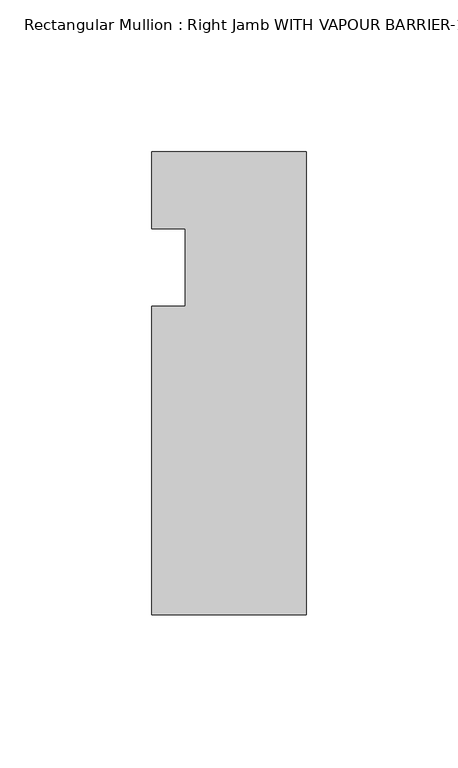
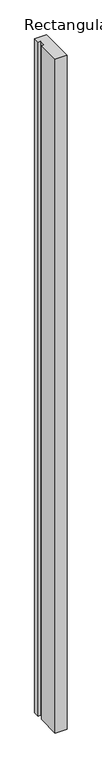
"""IFC4 building model written with IfcOpenShell, lengths in millimetres: member geometry."""

from ifc_helpers import new_model, si_unit, frame, origin, place, context, project, spatial, polyline, outline, extrude, source, transform, mapped, element, save


def member_d97a677a(model_context):
    return source(origin(), model_context, "Body", "SweptSolid", [
        extrude(outline(polyline([(-50.8, -120.65), (-50.8, -19.05), (-39.8272, -19.05), (-39.8272, 6.35), (-50.8, 6.35), (-50.8, 31.75), (0.0, 31.75), (0.0, -120.65), (-50.8, -120.65)])), frame((0.0, 0.0, -3048.0), z_axis=(0.0, 0.0, 1.0), x_axis=(1.0, 0.0, 0.0)), (0.0, 0.0, 1.0), 3048.0),
    ])


if __name__ == "__main__":
    model = new_model("IFC4")
    model_context = context("Model", 3, world=origin())
    ifc_project = project(units=[si_unit("LENGTHUNIT", "METRE", prefix="MILLI")], contexts=[model_context])
    site = spatial("IfcSite", under=ifc_project)
    building = spatial("IfcBuilding", under=site)
    placement = place(None, origin())
    member_shape = member_d97a677a(model_context)
    element("IfcMember", 1, ObjectType="Rectangular Mullion : Right Jamb WITH VAPOUR BARRIER-1/4\" INFILL-model 3", at=placement, inside=building, context=model_context, shape_type="MappedRepresentation", body=[
        mapped(member_shape, transform((0.0, 0.0, 0.0), x_axis=(1.0, 0.0, 0.0), y_axis=(0.0, 1.0, 0.0), z_axis=(0.0, 0.0, 1.0))),
    ])
    save(model, "model.ifc")
